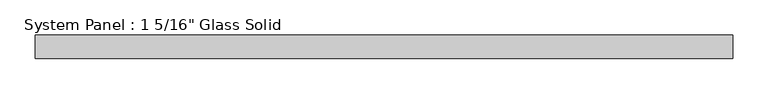
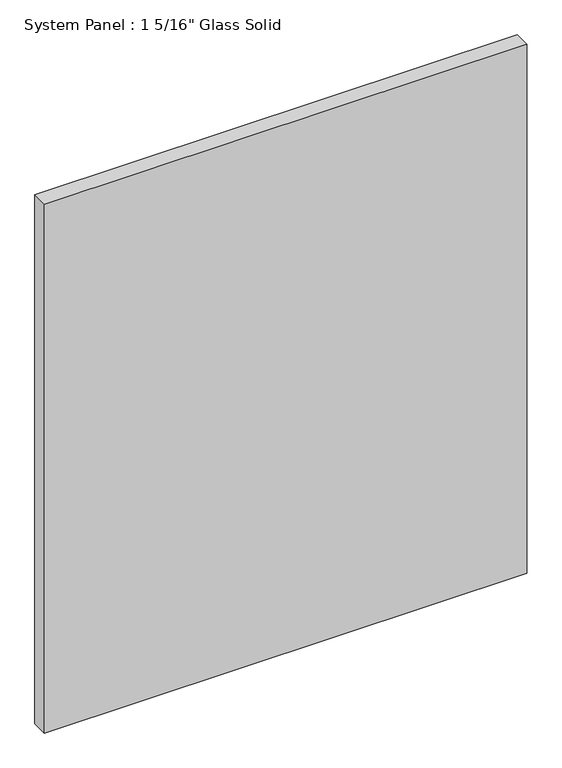
"""IFC4 building model written with IfcOpenShell, lengths in millimetres: plate geometry."""

import ifcopenshell
import ifcopenshell.guid

model = None  # the IFC model being written
_history = None  # IfcOwnerHistory: only IFC2X3 demands one
_inside = {}  # id of a spatial element -> (the spatial element, [elements in it])
_under = {}  # id of a project, library or spatial element -> (it, [spatial elements below it])
_declared = {}  # id of a project -> (the project, [libraries it declares])
_typed = {}  # id of a type object -> (the type object, [elements of that type])
_made_of = {}  # id of a material, layer set ... -> (it, [elements and type objects made of it])


def new_model(schema):
    """Start an empty IFC model of exactly this schema.

    Asked for "IFC4X3", IfcOpenShell would pick the latest addendum, in which some entities
    have other attributes; the version numbers below select the first issue.
    IFC2X3 requires an IfcOwnerHistory on every rooted entity: one is made here for all.
    """
    global model, _history
    if schema == "IFC4X3":
        model = ifcopenshell.file(schema_version=(4, 3, 0, 0))
    else:
        model = ifcopenshell.file(schema=schema)
    _inside.clear()
    _under.clear()
    _declared.clear()
    _typed.clear()
    _made_of.clear()
    _history = None
    if model.schema == "IFC2X3":
        org = make("IfcOrganization", Name="unknown")
        user = make(
            "IfcPersonAndOrganization",
            ThePerson=make("IfcPerson", FamilyName="unknown"),
            TheOrganization=org,
        )
        app = make(
            "IfcApplication",
            ApplicationDeveloper=org,
            Version="unknown",
            ApplicationFullName="unknown",
            ApplicationIdentifier="unknown",
        )
        _history = make(
            "IfcOwnerHistory",
            OwningUser=user,
            OwningApplication=app,
            ChangeAction="ADDED",
            CreationDate=0,
        )
    return model


def make(cls, **values):
    """One entity of the class cls with the attributes given. An attribute that is None is left unset."""
    return model.create_entity(
        cls, **{name: value for name, value in values.items() if value is not None}
    )


def rooted(cls, **values):
    """An entity with a GlobalId (a new one), such as an element, a storey or a relation."""
    return make(cls, GlobalId=ifcopenshell.guid.new(), OwnerHistory=_history, **values)


def si_unit(unit_type, name, prefix=None):
    """IfcSIUnit, for example si_unit("LENGTHUNIT", "METRE", prefix="MILLI")."""
    return make("IfcSIUnit", UnitType=unit_type, Prefix=prefix, Name=name)


def assignment(units):
    """IfcUnitAssignment: the units of a project."""
    return None if units is None else make("IfcUnitAssignment", Units=units)


def point(xyz):
    """IfcCartesianPoint."""
    return None if xyz is None else make("IfcCartesianPoint", Coordinates=xyz)


def direction(xyz):
    """IfcDirection."""
    return None if xyz is None else make("IfcDirection", DirectionRatios=xyz)


def frame(location, z_axis=None, x_axis=None):
    """IfcAxis2Placement3D, a coordinate frame: its origin and axes. An axis left out is left unset."""
    return make(
        "IfcAxis2Placement3D",
        Location=point(location),
        Axis=direction(z_axis),
        RefDirection=direction(x_axis),
    )


def origin():
    """The frame at (0, 0, 0) with its axes left unset."""
    return frame((0.0, 0.0, 0.0))


def origin_with_axes():
    """The frame at (0, 0, 0) with the z axis (0, 0, 1) and the x axis (1, 0, 0) written out."""
    return frame((0.0, 0.0, 0.0), z_axis=(0.0, 0.0, 1.0), x_axis=(1.0, 0.0, 0.0))


def place(relative_to, where):
    """IfcLocalPlacement: puts the frame where relative to a parent placement (None: the world)."""
    return make(
        "IfcLocalPlacement", PlacementRelTo=relative_to, RelativePlacement=where
    )


def context(
    kind, dimensions, precision=None, world=None, true_north=None, identifier=None
):
    """IfcGeometricRepresentationContext, for example the 3D "Model" context."""
    return make(
        "IfcGeometricRepresentationContext",
        ContextIdentifier=identifier,
        ContextType=kind,
        CoordinateSpaceDimension=dimensions,
        Precision=precision,
        WorldCoordinateSystem=world,
        TrueNorth=true_north,
    )


def project(units=None, contexts=None):
    """IfcProject with its units and contexts."""
    return rooted(
        "IfcProject",
        Name="project",
        RepresentationContexts=contexts,
        UnitsInContext=assignment(units),
    )


def spatial(cls, under=None, at=None, **own):
    """A site, building, storey or space (cls), placed at a placement, below another one or the project."""
    s = rooted(cls, ObjectPlacement=at, **own)
    if under is not None:
        _under.setdefault(under.id(), (under, []))[1].append(s)
    return s


def polyline(points):
    """IfcPolyline through the points."""
    return make("IfcPolyline", Points=[point(p) for p in points])


def outline(outer, holes=None, kind="AREA"):
    """IfcArbitraryClosedProfileDef: a profile drawn as a closed curve; with holes, ...WithVoids."""
    if holes is None:
        return make("IfcArbitraryClosedProfileDef", ProfileType=kind, OuterCurve=outer)
    return make(
        "IfcArbitraryProfileDefWithVoids",
        ProfileType=kind,
        OuterCurve=outer,
        InnerCurves=holes,
    )


def extrude(swept, where, along, depth):
    """IfcExtrudedAreaSolid: the profile swept, set in the frame where, extruded along a direction by depth."""
    return make(
        "IfcExtrudedAreaSolid",
        SweptArea=swept,
        Position=where,
        ExtrudedDirection=direction(along),
        Depth=depth,
    )


def shape(context_of_items, identifier, shape_type, items):
    """IfcShapeRepresentation: the items that make up one representation, for example the "Body"."""
    return make(
        "IfcShapeRepresentation",
        ContextOfItems=context_of_items,
        RepresentationIdentifier=identifier,
        RepresentationType=shape_type,
        Items=items,
    )


def source(mapping_origin, context_of_items, identifier, shape_type, items):
    """IfcRepresentationMap: a shape defined once, which mapped items show again and again."""
    return make(
        "IfcRepresentationMap",
        MappingOrigin=mapping_origin,
        MappedRepresentation=shape(context_of_items, identifier, shape_type, items),
    )


def transform(
    local_origin,
    x_axis=None,
    y_axis=None,
    z_axis=None,
    scale=None,
    scale2=None,
    scale3=None,
    uniform=True,
):
    """IfcCartesianTransformationOperator3D, or its non-uniform kind. x_axis, y_axis, z_axis: its Axis1, 2, 3."""
    if uniform:
        return make(
            "IfcCartesianTransformationOperator3D",
            Axis1=direction(x_axis),
            Axis2=direction(y_axis),
            LocalOrigin=point(local_origin),
            Scale=scale,
            Axis3=direction(z_axis),
        )
    return make(
        "IfcCartesianTransformationOperator3DnonUniform",
        Axis1=direction(x_axis),
        Axis2=direction(y_axis),
        LocalOrigin=point(local_origin),
        Scale=scale,
        Axis3=direction(z_axis),
        Scale2=scale2,
        Scale3=scale3,
    )


def mapped(mapping_source, mapping_target):
    """IfcMappedItem: shows the shape of a source again, moved by a transform."""
    return make(
        "IfcMappedItem", MappingSource=mapping_source, MappingTarget=mapping_target
    )


def made_of(thing, what):
    """Note that an element or type object is made of a material, layer set ...; save() writes the relation."""
    if what is not None:
        _made_of.setdefault(what.id(), (what, []))[1].append(thing)
    return thing


def element(
    cls,
    number,
    at=None,
    inside=None,
    cuts=None,
    type_object=None,
    material=None,
    context=None,
    identifier="Body",
    shape_type=None,
    held_by="IfcProductDefinitionShape",
    body=None,
    shapes=None,
    **own,
):
    """One element of the class cls, such as IfcWall. Its Tag is "e" and its number.

    at: its placement. inside: the storey or other place that contains it. cuts: it is an
    opening in that element (IfcRelVoidsElement). A single representation is given by context,
    identifier, shape_type and body (its items); several are given by shapes. held_by: the class
    of the entity that holds the representations. save() writes the other relations.
    """
    e = rooted(cls, Tag="e%d" % number, ObjectPlacement=at, **own)
    if body is not None:
        shapes = [shape(context, identifier, shape_type, body)]
    if shapes is not None:
        e.Representation = make(held_by, Representations=shapes)
    if inside is not None:
        _inside.setdefault(inside.id(), (inside, []))[1].append(e)
    if cuts is not None:
        rooted(
            "IfcRelVoidsElement", RelatingBuildingElement=cuts, RelatedOpeningElement=e
        )
    if type_object is not None:
        _typed.setdefault(type_object.id(), (type_object, []))[1].append(e)
    return made_of(e, material)


def aggregate(whole, parts):
    """IfcRelAggregates: a whole, such as a stair, and the parts it consists of."""
    return rooted("IfcRelAggregates", RelatingObject=whole, RelatedObjects=parts)


def save(model, path):
    """Write the relations noted so far, then the file.

    IfcRelAggregates (storeys below a building ...), IfcRelContainedInSpatialStructure (elements
    in a storey), IfcRelDefinesByType, IfcRelAssociatesMaterial and IfcRelDeclares: one each for
    every whole, place, type object, material and project.
    """
    for whole, parts in _under.values():
        aggregate(whole, parts)
    for where, things in _inside.values():
        rooted(
            "IfcRelContainedInSpatialStructure",
            RelatedElements=things,
            RelatingStructure=where,
        )
    for kind, things in _typed.values():
        rooted("IfcRelDefinesByType", RelatedObjects=things, RelatingType=kind)
    for what, things in _made_of.values():
        rooted("IfcRelAssociatesMaterial", RelatedObjects=things, RelatingMaterial=what)
    for by, libraries in _declared.values():
        rooted("IfcRelDeclares", RelatingContext=by, RelatedDefinitions=libraries)
    model.write(path)


def plate_3eac21e4(model_context):
    return source(origin(), model_context, "Body", "SweptSolid", [
        extrude(outline(polyline([(495.3, -16.66875), (-495.3, -16.66875), (-495.3, 16.66875), (495.3, 16.66875), (495.3, -16.66875)])), origin_with_axes(), (0.0, 0.0, 1.0), 1148.1923678),
    ])


if __name__ == "__main__":
    model = new_model("IFC4")
    model_context = context("Model", 3, world=origin())
    ifc_project = project(units=[si_unit("LENGTHUNIT", "METRE", prefix="MILLI")], contexts=[model_context])
    site = spatial("IfcSite", under=ifc_project)
    building = spatial("IfcBuilding", under=site)
    placement = place(None, origin())
    plate_shape = plate_3eac21e4(model_context)
    element("IfcPlate", 1, ObjectType="System Panel : 1 5/16\" Glass Solid", at=placement, inside=building, context=model_context, shape_type="MappedRepresentation", body=[
        mapped(plate_shape, transform((0.0, 0.0, 0.0), x_axis=(1.0, 0.0, 0.0), y_axis=(0.0, 1.0, 0.0), z_axis=(0.0, 0.0, 1.0))),
    ])
    save(model, "model.ifc")
